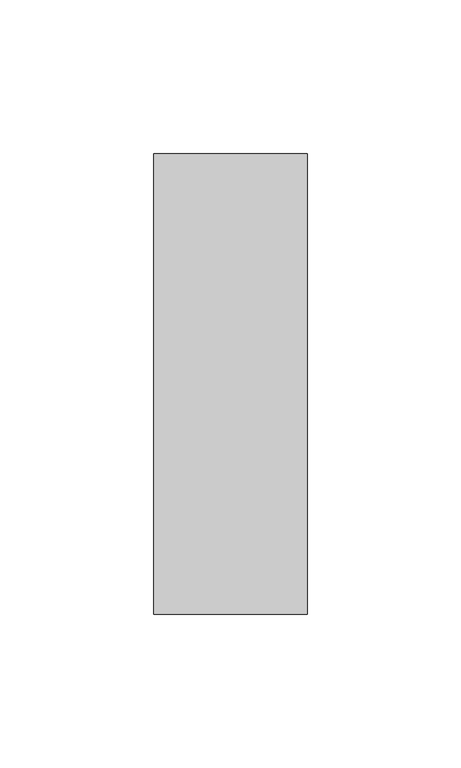
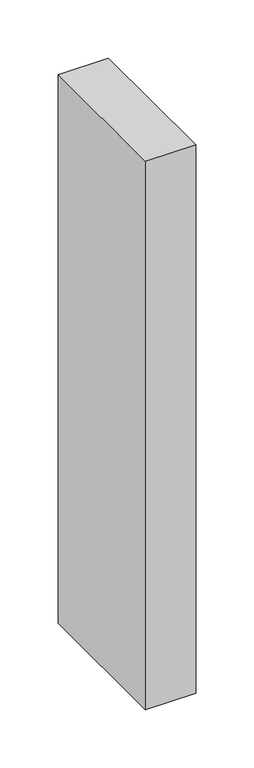
"""IFC4 building model written with IfcOpenShell, lengths in millimetres: member geometry."""

from ifc_helpers import new_model, si_unit, frame, origin, place, context, project, spatial, polyline, outline, extrude, source, transform, mapped, element, save


def member_32c4282c(model_context):
    return source(origin(), model_context, "Body", "SweptSolid", [
        extrude(outline(polyline([(0.0, 75.0), (0.0, -75.0), (-50.0, -75.0), (-50.0, 75.0), (0.0, 75.0)])), frame((0.0, 0.0, -576.1128016), z_axis=(0.0, 0.0, 1.0), x_axis=(1.0, 0.0, 0.0)), (0.0, 0.0, 1.0), 576.1128016),
    ])


if __name__ == "__main__":
    model = new_model("IFC4")
    model_context = context("Model", 3, world=origin())
    ifc_project = project(units=[si_unit("LENGTHUNIT", "METRE", prefix="MILLI")], contexts=[model_context])
    site = spatial("IfcSite", under=ifc_project)
    building = spatial("IfcBuilding", under=site)
    placement = place(None, origin())
    member_shape = member_32c4282c(model_context)
    element("IfcMember", 1, at=placement, inside=building, context=model_context, shape_type="MappedRepresentation", body=[
        mapped(member_shape, transform((0.0, 0.0, 0.0), x_axis=(1.0, 0.0, 0.0), y_axis=(0.0, 1.0, 0.0), z_axis=(0.0, 0.0, 1.0))),
    ])
    save(model, "model.ifc")
